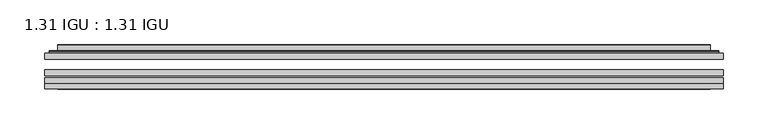
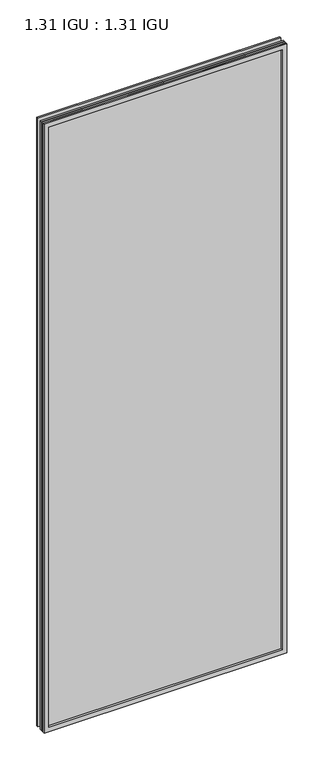
"""IFC4 building model written with IfcOpenShell, lengths in millimetres: plate geometry, 1.31 IGU : 1.31 IGU."""

from ifc_helpers import new_model, si_unit, frame, origin, place, context, project, spatial, polyline, ellipse_curve, outline, extrude, faceted_brep, source, transform, mapped, element, save
from ifc_brep_helpers import plane_surface, cylinder_surface, advanced_brep


def plate_1_31_igu_1_31_igu_f9541013(model_context):
    return source(origin(), model_context, "Body", "SolidModel", [
        extrude(outline(polyline([(379.4108, -63.59525), (379.4108, -69.94525), (-379.396625, -69.94525), (-379.396625, -63.59525), (379.4108, -63.59525)])), frame((0.0, 0.0, -14.2875), z_axis=(0.0, 0.0, 1.0), x_axis=(1.0, 0.0, 0.0)), (0.0, 0.0, 1.0), 2009.8015278),
        extrude(outline(polyline([(-379.396625, -78.58125), (-379.396625, -72.230745), (379.4108, -72.230745), (379.4108, -78.58125), (-379.396625, -78.58125)])), frame((0.0, 0.0, -14.2875), z_axis=(0.0, 0.0, 1.0), x_axis=(1.0, 0.0, 0.0)), (0.0, 0.0, 1.0), 2009.8015278),
        extrude(outline(polyline([(379.4108, -45.25645), (379.4108, -51.60645), (-379.396625, -51.60645), (-379.396625, -45.25645), (379.4108, -45.25645)])), frame((0.0, 0.0, -14.2875), z_axis=(0.0, 0.0, 1.0), x_axis=(1.0, 0.0, 0.0)), (0.0, 0.0, 1.0), 2009.8015278),
        faceted_brep([(-379.409325, -84.93125, 1995.5229299), (-379.409325, -78.58125, 1995.5229299), (-379.409325, -78.58125, -14.3002), (-379.409325, -84.93125, -14.3002), (379.409325, -78.58125, -14.3002), (379.409325, -84.93125, -14.3002), (379.409325, -78.58125, 1995.5229299), (379.409325, -84.93125, 1995.5229299), (-364.2113809, -78.58125, 0.8977441), (364.2113809, -78.58125, 0.8977441), (364.2113809, -78.58125, 1980.3249858), (-364.2113809, -78.58125, 1980.3249858), (-365.1038152, -84.93125, 1981.2174201), (365.1038152, -84.93125, 1981.2174201), (365.1038152, -84.93125, 0.0053098), (-365.1038152, -84.93125, 0.0053098)], [[[0, 1, 2, 3]], [[3, 2, 4, 5]], [[5, 4, 6, 7]], [[1, 6, 4, 2], [8, 9, 10, 11]], [[7, 6, 1, 0]], [[3, 5, 7, 0], [12, 13, 14, 15]], [[11, 12, 15, 8]], [[8, 15, 14, 9]], [[9, 14, 13, 10]], [[10, 13, 12, 11]]]),
        advanced_brep(
        [(-372.155344, -45.25645, 1988.2689489), (-374.5095494, -43.2667833, 1990.6231543), (-374.5095494, -43.2667833, -9.4004244), (-372.155344, -45.25645, -7.046219), (-363.0810189, -41.416413, 1979.1946238), (-358.1461871, -45.25645, 1974.2597919), (-358.1461871, -45.25645, 6.9629379), (-363.0810189, -41.416413, 2.0281061), (-364.1130467, -36.0191819, 1980.2266515), (-364.1130467, -36.0191819, 0.9960783), (-365.1037034, -35.6202069, 1981.2173083), (-365.1037034, -35.6202069, 0.0054216), (-365.1037034, -42.08145, 1981.2173083), (-365.1037034, -42.08145, 0.0054216), (-373.5077599, -42.08145, 1989.6213648), (-373.5077599, -42.08145, -8.3986349), (374.5095494, -43.2667833, -9.4004244), (372.155344, -45.25645, -7.046219), (358.1461871, -45.25645, 6.9629379), (363.0810189, -41.416413, 2.0281061), (364.1130467, -36.0191819, 0.9960783), (365.1037034, -35.6202069, 0.0054216), (365.1037034, -42.08145, 0.0054216), (373.5077599, -42.08145, -8.3986349), (374.5095494, -43.2667833, 1990.6231543), (372.155344, -45.25645, 1988.2689489), (358.1461871, -45.25645, 1974.2597919), (363.0810189, -41.416413, 1979.1946238), (364.1130467, -36.0191819, 1980.2266515), (365.1037034, -35.6202069, 1981.2173083), (365.1037034, -42.08145, 1981.2173083), (373.5077599, -42.08145, 1989.6213648)],
        [
            (0, 1, ellipse_curve(frame((-372.155344, -42.86885, 1988.2689489), z_axis=(-0.7071067811865475, 0.0, -0.7071067811865475), x_axis=(-0.7071067811865474, 0.0, 0.7071067811865476)), 3.3765763, 2.3876)),
            (1, 2),
            (2, 3, ellipse_curve(frame((-372.155344, -42.86885, -7.046219), z_axis=(-0.7071067811865475, 0.0, 0.7071067811865475), x_axis=(0.7071067811865474, 0.0, 0.7071067811865476)), 3.3765763, 2.3876)),
            (3, 0),
            (4, 5),
            (5, 6),
            (6, 7),
            (7, 4),
            (8, 4),
            (7, 9),
            (9, 8),
            (10, 8, ellipse_curve(frame((-364.7367469, -36.1384423, 1980.8503517), z_axis=(-0.7071067811865475, 0.0, -0.7071067811865475), x_axis=(-0.7071067811865474, 0.0, 0.7071067811865476)), 0.8980256, 0.635)),
            (9, 11, ellipse_curve(frame((-364.7367469, -36.1384423, 0.3723781), z_axis=(-0.7071067811865475, 0.0, 0.7071067811865475), x_axis=(0.7071067811865474, 0.0, 0.7071067811865476)), 0.8980256, 0.635)),
            (11, 10),
            (12, 10),
            (11, 13),
            (13, 12),
            (1, 14, ellipse_curve(frame((-373.5077599, -43.09745, 1989.6213648), z_axis=(-0.7071067811865475, 0.0, -0.7071067811865475), x_axis=(-0.7071067811865474, 0.0, 0.7071067811865476)), 1.436841, 1.016)),
            (14, 15),
            (15, 2, ellipse_curve(frame((-373.5077599, -43.09745, -8.3986349), z_axis=(-0.7071067811865475, 0.0, 0.7071067811865475), x_axis=(0.7071067811865474, 0.0, 0.7071067811865476)), 1.436841, 1.016)),
            (2, 16),
            (16, 17, ellipse_curve(frame((372.155344, -42.86885, -7.046219), z_axis=(-0.7071067811865475, 0.0, -0.7071067811865475), x_axis=(-0.7071067811865476, 0.0, 0.7071067811865474)), 3.3765763, 2.3876)),
            (17, 3),
            (6, 18),
            (18, 19),
            (19, 7),
            (19, 20),
            (20, 9),
            (20, 21, ellipse_curve(frame((364.7367469, -36.1384423, 0.3723781), z_axis=(-0.7071067811865475, 0.0, -0.7071067811865475), x_axis=(-0.7071067811865476, 0.0, 0.7071067811865474)), 0.8980256, 0.635)),
            (21, 11),
            (21, 22),
            (22, 13),
            (15, 23),
            (23, 16, ellipse_curve(frame((373.5077599, -43.09745, -8.3986349), z_axis=(-0.7071067811865475, 0.0, -0.7071067811865475), x_axis=(-0.7071067811865476, 0.0, 0.7071067811865474)), 1.436841, 1.016)),
            (16, 24),
            (24, 25, ellipse_curve(frame((372.155344, -42.86885, 1988.2689489), z_axis=(0.7071067811865475, 0.0, -0.7071067811865475), x_axis=(-0.7071067811865474, 0.0, -0.7071067811865476)), 3.3765763, 2.3876)),
            (25, 17),
            (18, 26),
            (26, 27),
            (27, 19),
            (27, 28),
            (28, 20),
            (28, 29, ellipse_curve(frame((364.7367469, -36.1384423, 1980.8503517), z_axis=(0.7071067811865475, 0.0, -0.7071067811865475), x_axis=(-0.7071067811865474, 0.0, -0.7071067811865476)), 0.8980256, 0.635)),
            (29, 21),
            (29, 30),
            (30, 22),
            (23, 31),
            (31, 24, ellipse_curve(frame((373.5077599, -43.09745, 1989.6213648), z_axis=(0.7071067811865475, 0.0, -0.7071067811865475), x_axis=(-0.7071067811865474, 0.0, -0.7071067811865476)), 1.436841, 1.016)),
            (24, 1),
            (0, 25),
            (5, 26),
            (4, 27),
            (8, 28),
            (10, 29),
            (12, 30),
            (14, 31),
        ],
        [
            cylinder_surface(frame((-372.155344, -42.86885, 2012.9727299), z_axis=(0.0, 0.0, 1.0), x_axis=(-1.0, 0.0, 0.0)), 2.3876),
            plane_surface(frame((-358.1461871, -45.25645, 1974.2597919), z_axis=(0.6141233906514794, 0.7892100234124821, 0.0), x_axis=(0.0, 0.0, -1.0))),
            plane_surface(frame((-363.0810189, -41.416413, 1979.1946238), z_axis=(0.9822050625507729, 0.18781164793386074, 0.0), x_axis=(0.0, 0.0, -1.0))),
            cylinder_surface(frame((-364.7367469, -36.1384423, 2012.9727299), z_axis=(0.0, 0.0, 1.0), x_axis=(-1.0, 0.0, 0.0)), 0.635),
            plane_surface(frame((-365.1037034, -35.6202069, 1981.2173083), z_axis=(-1.0, 0.0, 0.0), x_axis=(0.0, 0.0, -1.0))),
            cylinder_surface(frame((-373.5077599, -43.09745, 2012.9727299), z_axis=(0.0, 0.0, 1.0), x_axis=(-1.0, 0.0, 0.0)), 1.016),
            cylinder_surface(frame((-396.859125, -42.86885, -7.046219), z_axis=(-1.0, 0.0, 0.0), x_axis=(0.0, 0.0, -1.0)), 2.3876),
            plane_surface(frame((-358.1461871, -45.25645, 6.9629379), z_axis=(0.0, 0.7892100234124841, 0.6141233906514768), x_axis=(1.0, 0.0, 0.0))),
            plane_surface(frame((-363.0810189, -41.416413, 2.0281061), z_axis=(0.0, 0.18781164793386393, 0.9822050625507723), x_axis=(1.0, 0.0, 0.0))),
            cylinder_surface(frame((-396.859125, -36.1384423, 0.3723781), z_axis=(-1.0, 0.0, 0.0), x_axis=(0.0, 0.0, -1.0)), 0.635),
            plane_surface(frame((-365.1037034, -35.6202069, 0.0054216), z_axis=(0.0, 0.0, -1.0), x_axis=(1.0, 0.0, 0.0))),
            cylinder_surface(frame((-396.859125, -43.09745, -8.3986349), z_axis=(-1.0, 0.0, 0.0), x_axis=(0.0, 0.0, -1.0)), 1.016),
            cylinder_surface(frame((372.155344, -42.86885, -31.75), z_axis=(0.0, 0.0, -1.0), x_axis=(1.0, 0.0, 0.0)), 2.3876),
            plane_surface(frame((358.1461871, -45.25645, 6.9629379), z_axis=(-0.6141233906514743, 0.7892100234124861, 0.0), x_axis=(0.0, 0.0, 1.0))),
            plane_surface(frame((363.0810189, -41.416413, 2.0281061), z_axis=(-0.9822050625507718, 0.18781164793386712, 0.0), x_axis=(0.0, 0.0, 1.0))),
            cylinder_surface(frame((364.7367469, -36.1384423, -31.75), z_axis=(0.0, 0.0, -1.0), x_axis=(1.0, 0.0, 0.0)), 0.635),
            plane_surface(frame((365.1037034, -35.6202069, 0.0054216), z_axis=(1.0, 0.0, 0.0), x_axis=(0.0, 0.0, 1.0))),
            cylinder_surface(frame((373.5077599, -43.09745, -31.75), z_axis=(0.0, 0.0, -1.0), x_axis=(1.0, 0.0, 0.0)), 1.016),
            cylinder_surface(frame((396.859125, -42.86885, 1988.2689489), z_axis=(1.0, 0.0, 0.0), x_axis=(0.0, 0.0, 1.0)), 2.3876),
            plane_surface(frame((372.155344, -45.25645, 1988.2689489), z_axis=(0.0, -1.0, 0.0), x_axis=(-1.0, 0.0, 0.0))),
            plane_surface(frame((358.1461871, -45.25645, 1974.2597919), z_axis=(0.0, 0.7892100234124841, -0.6141233906514768), x_axis=(-1.0, 0.0, 0.0))),
            plane_surface(frame((363.0810189, -41.416413, 1979.1946238), z_axis=(0.0, 0.18781164793386393, -0.9822050625507723), x_axis=(-1.0, 0.0, 0.0))),
            cylinder_surface(frame((396.859125, -36.1384423, 1980.8503517), z_axis=(1.0, 0.0, 0.0), x_axis=(0.0, 0.0, 1.0)), 0.635),
            plane_surface(frame((365.1037034, -35.6202069, 1981.2173083), z_axis=(0.0, 0.0, 1.0), x_axis=(-1.0, 0.0, 0.0))),
            plane_surface(frame((365.1037034, -42.08145, 1981.2173083), z_axis=(0.0, 1.0, 0.0), x_axis=(-1.0, 0.0, 0.0))),
            cylinder_surface(frame((396.859125, -43.09745, 1989.6213648), z_axis=(1.0, 0.0, 0.0), x_axis=(0.0, 0.0, 1.0)), 1.016),
        ],
        [
            (0, [[1, 2, 3, 4]]),
            (1, [[5, 6, 7, 8]]),
            (2, [[9, -8, 10, 11]]),
            (3, [[12, -11, 13, 14]]),
            (4, [[15, -14, 16, 17]]),
            (5, [[18, 19, 20, -2]]),
            (6, [[-3, 21, 22, 23]]),
            (7, [[-7, 24, 25, 26]]),
            (8, [[-10, -26, 27, 28]]),
            (9, [[-13, -28, 29, 30]]),
            (10, [[-16, -30, 31, 32]]),
            (11, [[-20, 33, 34, -21]]),
            (12, [[-22, 35, 36, 37]]),
            (13, [[-25, 38, 39, 40]]),
            (14, [[-27, -40, 41, 42]]),
            (15, [[-29, -42, 43, 44]]),
            (16, [[-31, -44, 45, 46]]),
            (17, [[-34, 47, 48, -35]]),
            (18, [[-36, 49, -1, 50]]),
            (19, [[-23, -37, -50, -4], [51, -38, -24, -6]]),
            (20, [[-39, -51, -5, 52]]),
            (21, [[-41, -52, -9, 53]]),
            (22, [[-43, -53, -12, 54]]),
            (23, [[-45, -54, -15, 55]]),
            (24, [[56, -47, -33, -19], [-32, -46, -55, -17]]),
            (25, [[-48, -56, -18, -49]]),
        ],
    ),
    ])


if __name__ == "__main__":
    model = new_model("IFC4")
    model_context = context("Model", 3, world=origin())
    ifc_project = project(units=[si_unit("LENGTHUNIT", "METRE", prefix="MILLI")], contexts=[model_context])
    site = spatial("IfcSite", under=ifc_project)
    building = spatial("IfcBuilding", under=site)
    placement = place(None, origin())
    plate_1_31_igu_1_31_igu_shape = plate_1_31_igu_1_31_igu_f9541013(model_context)
    element("IfcPlate", 1, ObjectType="1.31 IGU : 1.31 IGU", at=placement, inside=building, context=model_context, shape_type="MappedRepresentation", body=[
        mapped(plate_1_31_igu_1_31_igu_shape, transform((0.0, 0.0, 0.0), x_axis=(1.0, 0.0, 0.0), y_axis=(0.0, 1.0, 0.0), z_axis=(0.0, 0.0, 1.0))),
    ])
    save(model, "model.ifc")
